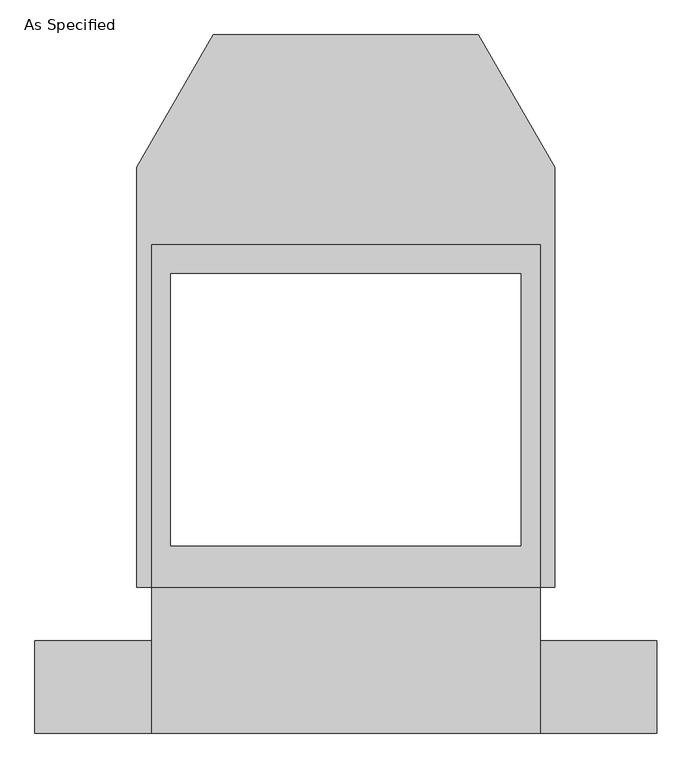
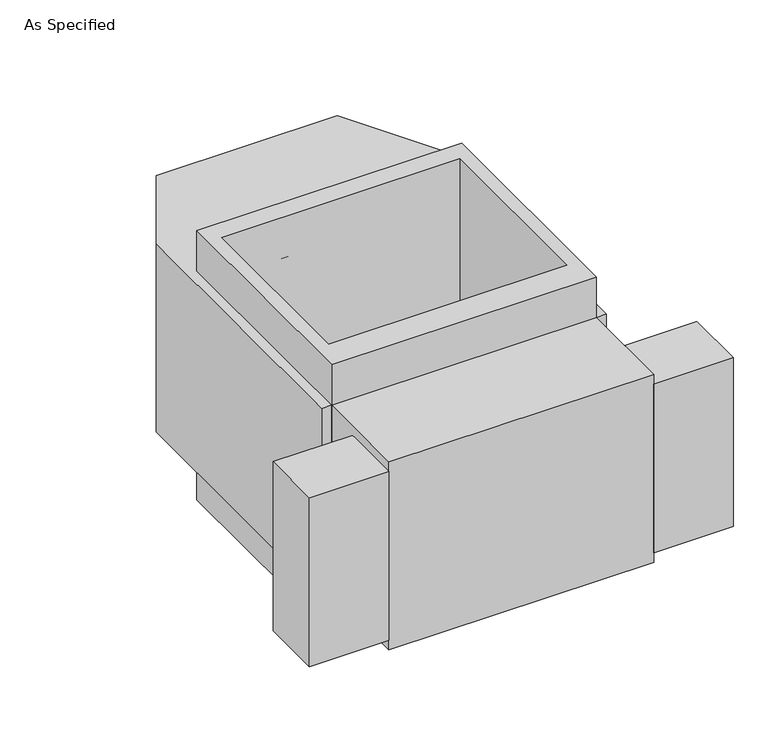
"""IFC4 building model written with IfcOpenShell, lengths in millimetres: proxy geometry, As Specified."""

import ifcopenshell
import ifcopenshell.guid

model = None  # the IFC model being written
_history = None  # IfcOwnerHistory: only IFC2X3 demands one
_inside = {}  # id of a spatial element -> (the spatial element, [elements in it])
_under = {}  # id of a project, library or spatial element -> (it, [spatial elements below it])
_declared = {}  # id of a project -> (the project, [libraries it declares])
_typed = {}  # id of a type object -> (the type object, [elements of that type])
_made_of = {}  # id of a material, layer set ... -> (it, [elements and type objects made of it])


def new_model(schema):
    """Start an empty IFC model of exactly this schema.

    Asked for "IFC4X3", IfcOpenShell would pick the latest addendum, in which some entities
    have other attributes; the version numbers below select the first issue.
    IFC2X3 requires an IfcOwnerHistory on every rooted entity: one is made here for all.
    """
    global model, _history
    if schema == "IFC4X3":
        model = ifcopenshell.file(schema_version=(4, 3, 0, 0))
    else:
        model = ifcopenshell.file(schema=schema)
    _inside.clear()
    _under.clear()
    _declared.clear()
    _typed.clear()
    _made_of.clear()
    _history = None
    if model.schema == "IFC2X3":
        org = make("IfcOrganization", Name="unknown")
        user = make(
            "IfcPersonAndOrganization",
            ThePerson=make("IfcPerson", FamilyName="unknown"),
            TheOrganization=org,
        )
        app = make(
            "IfcApplication",
            ApplicationDeveloper=org,
            Version="unknown",
            ApplicationFullName="unknown",
            ApplicationIdentifier="unknown",
        )
        _history = make(
            "IfcOwnerHistory",
            OwningUser=user,
            OwningApplication=app,
            ChangeAction="ADDED",
            CreationDate=0,
        )
    return model


def make(cls, **values):
    """One entity of the class cls with the attributes given. An attribute that is None is left unset."""
    return model.create_entity(
        cls, **{name: value for name, value in values.items() if value is not None}
    )


def rooted(cls, **values):
    """An entity with a GlobalId (a new one), such as an element, a storey or a relation."""
    return make(cls, GlobalId=ifcopenshell.guid.new(), OwnerHistory=_history, **values)


def si_unit(unit_type, name, prefix=None):
    """IfcSIUnit, for example si_unit("LENGTHUNIT", "METRE", prefix="MILLI")."""
    return make("IfcSIUnit", UnitType=unit_type, Prefix=prefix, Name=name)


def assignment(units):
    """IfcUnitAssignment: the units of a project."""
    return None if units is None else make("IfcUnitAssignment", Units=units)


def point(xyz):
    """IfcCartesianPoint."""
    return None if xyz is None else make("IfcCartesianPoint", Coordinates=xyz)


def direction(xyz):
    """IfcDirection."""
    return None if xyz is None else make("IfcDirection", DirectionRatios=xyz)


def frame(location, z_axis=None, x_axis=None):
    """IfcAxis2Placement3D, a coordinate frame: its origin and axes. An axis left out is left unset."""
    return make(
        "IfcAxis2Placement3D",
        Location=point(location),
        Axis=direction(z_axis),
        RefDirection=direction(x_axis),
    )


def origin():
    """The frame at (0, 0, 0) with its axes left unset."""
    return frame((0.0, 0.0, 0.0))


def place(relative_to, where):
    """IfcLocalPlacement: puts the frame where relative to a parent placement (None: the world)."""
    return make(
        "IfcLocalPlacement", PlacementRelTo=relative_to, RelativePlacement=where
    )


def context(
    kind, dimensions, precision=None, world=None, true_north=None, identifier=None
):
    """IfcGeometricRepresentationContext, for example the 3D "Model" context."""
    return make(
        "IfcGeometricRepresentationContext",
        ContextIdentifier=identifier,
        ContextType=kind,
        CoordinateSpaceDimension=dimensions,
        Precision=precision,
        WorldCoordinateSystem=world,
        TrueNorth=true_north,
    )


def project(units=None, contexts=None):
    """IfcProject with its units and contexts."""
    return rooted(
        "IfcProject",
        Name="project",
        RepresentationContexts=contexts,
        UnitsInContext=assignment(units),
    )


def spatial(cls, under=None, at=None, **own):
    """A site, building, storey or space (cls), placed at a placement, below another one or the project."""
    s = rooted(cls, ObjectPlacement=at, **own)
    if under is not None:
        _under.setdefault(under.id(), (under, []))[1].append(s)
    return s


def polyline(points):
    """IfcPolyline through the points."""
    return make("IfcPolyline", Points=[point(p) for p in points])


def outline(outer, holes=None, kind="AREA"):
    """IfcArbitraryClosedProfileDef: a profile drawn as a closed curve; with holes, ...WithVoids."""
    if holes is None:
        return make("IfcArbitraryClosedProfileDef", ProfileType=kind, OuterCurve=outer)
    return make(
        "IfcArbitraryProfileDefWithVoids",
        ProfileType=kind,
        OuterCurve=outer,
        InnerCurves=holes,
    )


def extrude(swept, where, along, depth):
    """IfcExtrudedAreaSolid: the profile swept, set in the frame where, extruded along a direction by depth."""
    return make(
        "IfcExtrudedAreaSolid",
        SweptArea=swept,
        Position=where,
        ExtrudedDirection=direction(along),
        Depth=depth,
    )


def shape(context_of_items, identifier, shape_type, items):
    """IfcShapeRepresentation: the items that make up one representation, for example the "Body"."""
    return make(
        "IfcShapeRepresentation",
        ContextOfItems=context_of_items,
        RepresentationIdentifier=identifier,
        RepresentationType=shape_type,
        Items=items,
    )


def source(mapping_origin, context_of_items, identifier, shape_type, items):
    """IfcRepresentationMap: a shape defined once, which mapped items show again and again."""
    return make(
        "IfcRepresentationMap",
        MappingOrigin=mapping_origin,
        MappedRepresentation=shape(context_of_items, identifier, shape_type, items),
    )


def transform(
    local_origin,
    x_axis=None,
    y_axis=None,
    z_axis=None,
    scale=None,
    scale2=None,
    scale3=None,
    uniform=True,
):
    """IfcCartesianTransformationOperator3D, or its non-uniform kind. x_axis, y_axis, z_axis: its Axis1, 2, 3."""
    if uniform:
        return make(
            "IfcCartesianTransformationOperator3D",
            Axis1=direction(x_axis),
            Axis2=direction(y_axis),
            LocalOrigin=point(local_origin),
            Scale=scale,
            Axis3=direction(z_axis),
        )
    return make(
        "IfcCartesianTransformationOperator3DnonUniform",
        Axis1=direction(x_axis),
        Axis2=direction(y_axis),
        LocalOrigin=point(local_origin),
        Scale=scale,
        Axis3=direction(z_axis),
        Scale2=scale2,
        Scale3=scale3,
    )


def mapped(mapping_source, mapping_target):
    """IfcMappedItem: shows the shape of a source again, moved by a transform."""
    return make(
        "IfcMappedItem", MappingSource=mapping_source, MappingTarget=mapping_target
    )


def made_of(thing, what):
    """Note that an element or type object is made of a material, layer set ...; save() writes the relation."""
    if what is not None:
        _made_of.setdefault(what.id(), (what, []))[1].append(thing)
    return thing


def element(
    cls,
    number,
    at=None,
    inside=None,
    cuts=None,
    type_object=None,
    material=None,
    context=None,
    identifier="Body",
    shape_type=None,
    held_by="IfcProductDefinitionShape",
    body=None,
    shapes=None,
    **own,
):
    """One element of the class cls, such as IfcWall. Its Tag is "e" and its number.

    at: its placement. inside: the storey or other place that contains it. cuts: it is an
    opening in that element (IfcRelVoidsElement). A single representation is given by context,
    identifier, shape_type and body (its items); several are given by shapes. held_by: the class
    of the entity that holds the representations. save() writes the other relations.
    """
    e = rooted(cls, Tag="e%d" % number, ObjectPlacement=at, **own)
    if body is not None:
        shapes = [shape(context, identifier, shape_type, body)]
    if shapes is not None:
        e.Representation = make(held_by, Representations=shapes)
    if inside is not None:
        _inside.setdefault(inside.id(), (inside, []))[1].append(e)
    if cuts is not None:
        rooted(
            "IfcRelVoidsElement", RelatingBuildingElement=cuts, RelatedOpeningElement=e
        )
    if type_object is not None:
        _typed.setdefault(type_object.id(), (type_object, []))[1].append(e)
    return made_of(e, material)


def aggregate(whole, parts):
    """IfcRelAggregates: a whole, such as a stair, and the parts it consists of."""
    return rooted("IfcRelAggregates", RelatingObject=whole, RelatedObjects=parts)


def save(model, path):
    """Write the relations noted so far, then the file.

    IfcRelAggregates (storeys below a building ...), IfcRelContainedInSpatialStructure (elements
    in a storey), IfcRelDefinesByType, IfcRelAssociatesMaterial and IfcRelDeclares: one each for
    every whole, place, type object, material and project.
    """
    for whole, parts in _under.values():
        aggregate(whole, parts)
    for where, things in _inside.values():
        rooted(
            "IfcRelContainedInSpatialStructure",
            RelatedElements=things,
            RelatingStructure=where,
        )
    for kind, things in _typed.values():
        rooted("IfcRelDefinesByType", RelatedObjects=things, RelatingType=kind)
    for what, things in _made_of.values():
        rooted("IfcRelAssociatesMaterial", RelatedObjects=things, RelatingMaterial=what)
    for by, libraries in _declared.values():
        rooted("IfcRelDeclares", RelatingContext=by, RelatedDefinitions=libraries)
    model.write(path)


def as_specified_42254c36(model_context):
    return source(origin(), model_context, "Body", "SweptSolid", [
        extrude(outline(polyline([(508.0, -912.5148438), (508.0, -671.2148438), (812.8, -671.2148438), (812.8, -912.5148438), (508.0, -912.5148438)])), frame((0.0, 0.0, -749.3), z_axis=(0.0, 0.0, 1.0), x_axis=(1.0, 0.0, 0.0)), (0.0, 0.0, 1.0), 685.8),
        extrude(outline(polyline([(-508.0, -912.5148438), (-812.8, -912.5148438), (-812.8, -671.2148438), (-508.0, -671.2148438), (-508.0, -912.5148438)])), frame((0.0, 0.0, -749.3), z_axis=(0.0, 0.0, 1.0), x_axis=(1.0, 0.0, 0.0)), (0.0, 0.0, 1.0), 685.8),
        extrude(outline(polyline([(508.0, 363.8351562), (508.0, -531.5148438), (-508.0, -531.5148438), (-508.0, 363.8351562), (508.0, 363.8351562)]), holes=[polyline([(-457.2, 287.6748437), (-457.2, -423.5251563), (457.2, -423.5251563), (457.2, 287.6748437), (-457.2, 287.6748437)])]), frame((0.0, 0.0, -952.5), z_axis=(0.0, 0.0, 1.0), x_axis=(1.0, 0.0, 0.0)), (0.0, 0.0, 1.0), 1092.2),
        extrude(outline(polyline([(508.0, -912.5148438), (-508.0, -912.5148438), (-508.0, -531.5148438), (-546.1, -531.5148438), (-546.1, 567.0748437), (-346.660123, 912.5148437), (346.660123, 912.5148437), (546.1, 567.0748437), (546.1, -531.5148438), (508.0, -531.5148438), (508.0, -912.5148438)]), holes=[polyline([(457.2, -423.5251563), (457.2, 287.6748437), (-457.2, 287.6748437), (-457.2, -423.5251563), (457.2, -423.5251563)])]), frame((0.0, 0.0, -787.4), z_axis=(0.0, 0.0, 1.0), x_axis=(1.0, 0.0, 0.0)), (0.0, 0.0, 1.0), 762.0),
    ])


if __name__ == "__main__":
    model = new_model("IFC4")
    model_context = context("Model", 3, world=origin())
    ifc_project = project(units=[si_unit("LENGTHUNIT", "METRE", prefix="MILLI")], contexts=[model_context])
    site = spatial("IfcSite", under=ifc_project)
    building = spatial("IfcBuilding", under=site)
    placement = place(None, origin())
    as_specified_shape = as_specified_42254c36(model_context)
    element("IfcBuildingElementProxy", 1, Name="As Specified", ObjectType="As Specified", at=placement, inside=building, context=model_context, shape_type="MappedRepresentation", body=[
        mapped(as_specified_shape, transform((0.0, 0.0, 0.0), x_axis=(1.0, 0.0, 0.0), y_axis=(0.0, 1.0, 0.0), z_axis=(0.0, 0.0, 1.0))),
    ])
    save(model, "model.ifc")
